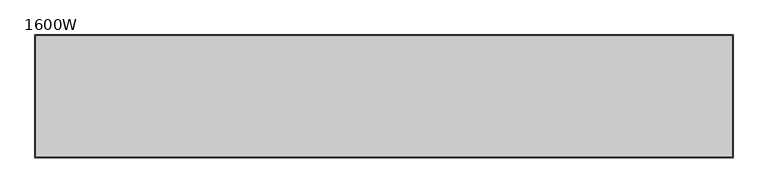
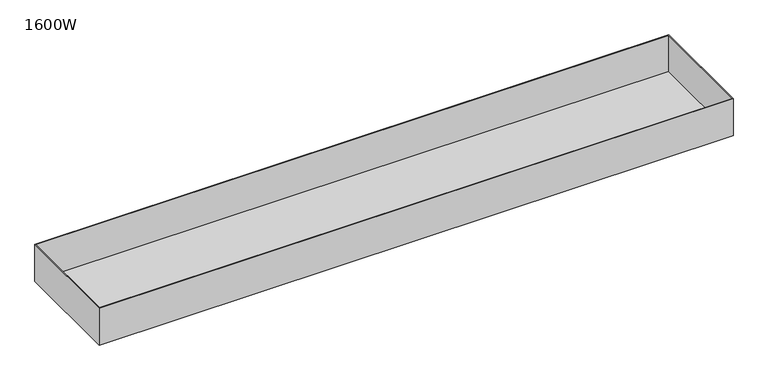
"""IFC4 building model written with IfcOpenShell, lengths in millimetres: furniture geometry, 1600W."""

from ifc_helpers import new_model, si_unit, origin, place, context, project, spatial, faceted_brep, source, transform, mapped, element, save


def furniture_1600w_98930c12(model_context):
    return source(origin(), model_context, "Body", "Brep", [
        faceted_brep([(-710.0, -125.0, 435.0), (-710.0, -125.0, 522.0), (-710.0, 125.0, 522.0), (-710.0, 125.0, 435.0), (710.0, -125.0, 435.0), (710.0, 125.0, 435.0), (710.0, 125.0, 522.0), (710.0, -125.0, 522.0), (-708.0, 123.0, 522.0), (708.0, 123.0, 522.0), (708.0, -123.0, 522.0), (-708.0, -123.0, 522.0), (708.0, 123.0, 437.0), (-708.0, 123.0, 437.0), (-708.0, -123.0, 437.0), (708.0, -123.0, 437.0)], [[[0, 1, 2, 3]], [[4, 5, 6, 7]], [[1, 0, 4, 7]], [[2, 1, 7, 6], [8, 9, 10, 11]], [[3, 2, 6, 5]], [[0, 3, 5, 4]], [[12, 13, 14, 15]], [[13, 12, 9, 8]], [[14, 13, 8, 11]], [[15, 14, 11, 10]], [[12, 15, 10, 9]]]),
    ])


if __name__ == "__main__":
    model = new_model("IFC4")
    model_context = context("Model", 3, world=origin())
    ifc_project = project(units=[si_unit("LENGTHUNIT", "METRE", prefix="MILLI")], contexts=[model_context])
    site = spatial("IfcSite", under=ifc_project)
    building = spatial("IfcBuilding", under=site)
    placement = place(None, origin())
    furniture_1600w_shape = furniture_1600w_98930c12(model_context)
    element("IfcFurniture", 1, ObjectType="1600W", at=placement, inside=building, context=model_context, shape_type="MappedRepresentation", body=[
        mapped(furniture_1600w_shape, transform((0.0, 0.0, 0.0), x_axis=(1.0, 0.0, 0.0), y_axis=(0.0, 1.0, 0.0), z_axis=(0.0, 0.0, 1.0))),
    ])
    save(model, "model.ifc")
